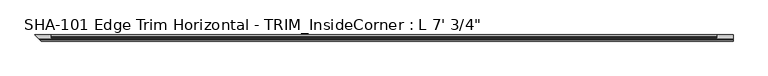
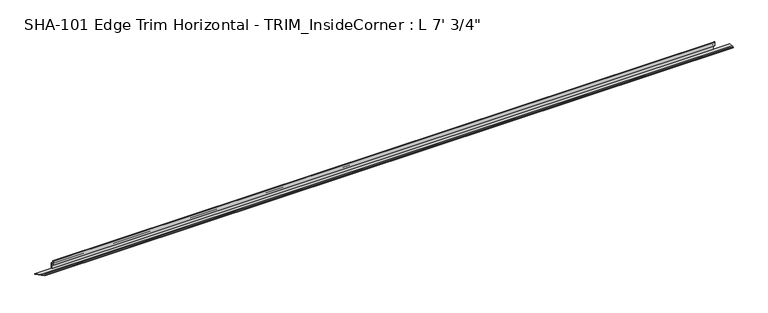
"""IFC4 building model written with IfcOpenShell, lengths in millimetres: proxy geometry."""

from ifc_helpers import new_model, si_unit, frame, origin, place, context, project, spatial, polyline, circle_curve, ellipse_curve, source, transform, mapped, element, save
from ifc_brep_helpers import plane_surface, cylinder_surface, revolved_surface, advanced_brep


def proxy_2c655511(model_context):
    return source(origin(), model_context, "Body", "AdvancedBrep", [
        advanced_brep(
        [(2152.65, 7.0200081, 1.5748), (2152.65, 3.8704081, 1.5748), (2152.65, 0.79375, 1.5748), (2152.65, 0.79375, 0.0), (2152.65, 19.7327081, 0.0), (2152.65, 19.7327081, 1.5748), (0.0, 19.7327081, 0.0), (0.0, 19.7327081, 1.5748), (50.8, 19.7327081, 1.5748), (50.8, 19.7327081, 19.0246), (2101.85, 19.7327081, 19.0246), (2101.85, 19.7327081, 1.5748), (50.8, 14.3400511, 19.0246), (2101.85, 14.3400511, 19.0246), (50.8, 12.5290774, 29.6006869), (2101.85, 12.5290774, 29.6006869), (50.8, 11.4003846, 30.0600848), (50.8, 10.2077081, 29.5346031), (2101.85, 10.2077081, 29.5346031), (2101.85, 11.4003846, 30.0600848), (50.8, 10.2077081, 17.4498), (2101.85, 10.2077081, 17.4498), (50.8, 16.8879081, 17.4498), (2101.85, 16.8879081, 17.4498), (50.8, 18.1579081, 16.1798), (2101.85, 18.1579081, 16.1798), (50.8, 18.1579081, 1.5748), (2101.85, 18.1579081, 1.5748), (12.7127, 7.0200081, 1.5748), (15.8623, 3.8704081, 1.5748), (18.9389581, 0.79375, 1.5748), (18.9389581, 0.79375, 0.0)],
        [
            (0, 1, circle_curve(frame((2152.65, 5.4452081, 1.5748), z_axis=(1.0, 0.0, 0.0), x_axis=(0.0, 1.0, 0.0)), 1.5748)),
            (1, 2),
            (2, 3),
            (3, 4),
            (4, 5),
            (5, 0),
            (4, 6),
            (6, 7),
            (7, 8),
            (8, 9),
            (9, 10),
            (10, 11),
            (11, 5),
            (9, 12),
            (12, 13),
            (13, 10),
            (12, 14),
            (14, 15),
            (15, 13),
            (14, 16, circle_curve(frame((50.8, 11.4003846, 28.4438454), z_axis=(1.0, 0.0, 0.0), x_axis=(0.0, 1.0, 0.0)), 1.6162393)),
            (16, 17, circle_curve(frame((50.8, 11.4003846, 28.4438454), z_axis=(1.0, 0.0, 0.0), x_axis=(0.0, 1.0, 0.0)), 1.6162393)),
            (17, 18),
            (18, 19, circle_curve(frame((2101.85, 11.4003846, 28.4438454), z_axis=(-1.0, 0.0, 0.0), x_axis=(0.0, 1.0, 0.0)), 1.6162393)),
            (19, 15, circle_curve(frame((2101.85, 11.4003846, 28.4438454), z_axis=(-1.0, 0.0, 0.0), x_axis=(0.0, 1.0, 0.0)), 1.6162393)),
            (17, 20),
            (20, 21),
            (21, 18),
            (20, 22),
            (22, 23),
            (23, 21),
            (22, 24, circle_curve(frame((50.8, 16.8879081, 16.1798), z_axis=(-1.0, 0.0, 0.0), x_axis=(0.0, 1.0, 0.0)), 1.27)),
            (24, 25),
            (25, 23, circle_curve(frame((2101.85, 16.8879081, 16.1798), z_axis=(1.0, 0.0, 0.0), x_axis=(0.0, 1.0, 0.0)), 1.27)),
            (24, 26),
            (26, 27),
            (27, 25),
            (11, 27),
            (26, 8),
            (7, 28),
            (28, 0),
            (28, 29, ellipse_curve(frame((14.2875, 5.4452081, 1.5748), z_axis=(0.707106781186549, 0.707106781186546, 0.0), x_axis=(0.707106781186546, -0.707106781186549, 0.0)), 2.2271035, 1.5748)),
            (29, 1),
            (29, 30),
            (30, 2),
            (30, 31),
            (31, 3),
            (31, 6),
        ],
        [
            plane_surface(frame((2152.65, 19.7327081, 19.0246), z_axis=(1.0, 0.0, 0.0), x_axis=(0.0, 0.0, 1.0))),
            plane_surface(frame((2152.65, 19.7327081, 0.0), z_axis=(0.0, 1.0, 0.0), x_axis=(-1.0, 0.0, 0.0))),
            plane_surface(frame((2152.65, 19.7327081, 19.0246), z_axis=(0.0, 0.0, 1.0), x_axis=(-1.0, 0.0, 0.0))),
            plane_surface(frame((2152.65, 14.3400511, 19.0246), z_axis=(0.0, 0.9856543593990696, 0.16877643140441637), x_axis=(-1.0, 0.0, 0.0))),
            cylinder_surface(frame((0.0, 11.4003846, 28.4438454), z_axis=(1.0, 0.0, 0.0), x_axis=(0.0, 1.0, 0.0)), 1.6162393),
            plane_surface(frame((2152.65, 10.2077081, 29.5346031), z_axis=(0.0, -1.0, 0.0), x_axis=(-1.0, 0.0, 0.0))),
            plane_surface(frame((2152.65, 10.2077081, 17.4498), z_axis=(0.0, 0.0, -1.0), x_axis=(-1.0, 0.0, 0.0))),
            revolved_surface(polyline([(50.8, 18.1579081, 16.1798), (2101.85, 18.1579081, 16.1798)]), (0.0, 16.8879081, 16.1798), (-1.0, 0.0, 0.0)),
            plane_surface(frame((2152.65, 18.1579081, 16.1798), z_axis=(0.0, -1.0, 0.0), x_axis=(-1.0, 0.0, 0.0))),
            plane_surface(frame((2152.65, 18.1579081, 1.5748), z_axis=(0.0, 0.0, 1.0), x_axis=(-1.0, 0.0, 0.0))),
            cylinder_surface(frame((0.0, 5.4452081, 1.5748), z_axis=(1.0, 0.0, 0.0), x_axis=(0.0, 1.0, 0.0)), 1.5748),
            plane_surface(frame((2152.65, 3.8704081, 1.5748), z_axis=(0.0, 0.0, 1.0), x_axis=(-1.0, 0.0, 0.0))),
            plane_surface(frame((2152.65, 0.79375, 1.5748), z_axis=(0.0, -1.0, 0.0), x_axis=(-1.0, 0.0, 0.0))),
            plane_surface(frame((2152.65, 0.79375, 0.0), z_axis=(0.0, 0.0, -1.0), x_axis=(-1.0, 0.0, 0.0))),
            plane_surface(frame((2101.85, 10.2077081, 30.0600848), z_axis=(1.0, 0.0, 0.0), x_axis=(0.0, 1.0, 0.0))),
            plane_surface(frame((50.8, 10.2077081, 1.5748), z_axis=(-1.0, 0.0, 0.0), x_axis=(0.0, 1.0, 0.0))),
            plane_surface(frame((19.7327081, 0.0, 66.04), z_axis=(-0.707106781186549, -0.707106781186546, 0.0), x_axis=(0.0, 0.0, -1.0))),
        ],
        [
            (0, [[1, 2, 3, 4, 5, 6]]),
            (1, [[7, 8, 9, 10, 11, 12, 13, -5]]),
            (2, [[-11, 14, 15, 16]]),
            (3, [[-15, 17, 18, 19]]),
            (4, [[-18, 20, 21, 22, 23, 24]]),
            (5, [[-22, 25, 26, 27]]),
            (6, [[-26, 28, 29, 30]]),
            (7, [[-29, 31, 32, 33]]),
            (8, [[-32, 34, 35, 36]]),
            (9, [[37, -35, 38, -9, 39, 40, -6, -13]]),
            (10, [[-1, -40, 41, 42]]),
            (11, [[-2, -42, 43, 44]]),
            (12, [[-3, -44, 45, 46]]),
            (13, [[-4, -46, 47, -7]]),
            (14, [[-37, -12, -16, -19, -24, -23, -27, -30, -33, -36]]),
            (15, [[-38, -34, -31, -28, -25, -21, -20, -17, -14, -10]]),
            (16, [[-8, -47, -45, -43, -41, -39]]),
        ],
    ),
    ])


if __name__ == "__main__":
    model = new_model("IFC4")
    model_context = context("Model", 3, world=origin())
    ifc_project = project(units=[si_unit("LENGTHUNIT", "METRE", prefix="MILLI")], contexts=[model_context])
    site = spatial("IfcSite", under=ifc_project)
    building = spatial("IfcBuilding", under=site)
    placement = place(None, origin())
    proxy_shape = proxy_2c655511(model_context)
    element("IfcBuildingElementProxy", 1, Name="SHA-101 Edge Trim Horizontal - TRIM_InsideCorner : L 7' 3/4\"", ObjectType="SHA-101 Edge Trim Horizontal - TRIM_InsideCorner : L 7' 3/4\"", at=placement, inside=building, context=model_context, shape_type="MappedRepresentation", body=[
        mapped(proxy_shape, transform((0.0, 0.0, 0.0), x_axis=(1.0, 0.0, 0.0), y_axis=(0.0, 1.0, 0.0), z_axis=(0.0, 0.0, 1.0))),
    ])
    save(model, "model.ifc")
